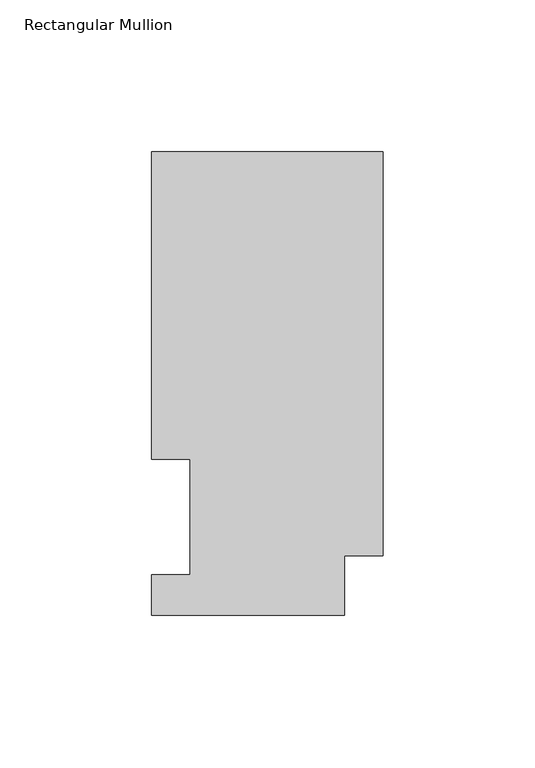
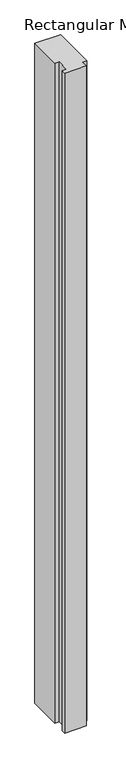
"""IFC4 building model written with IfcOpenShell, lengths in millimetres: member geometry, Rectangular Mullion."""

import ifcopenshell
import ifcopenshell.guid

model = None  # the IFC model being written
_history = None  # IfcOwnerHistory: only IFC2X3 demands one
_inside = {}  # id of a spatial element -> (the spatial element, [elements in it])
_under = {}  # id of a project, library or spatial element -> (it, [spatial elements below it])
_declared = {}  # id of a project -> (the project, [libraries it declares])
_typed = {}  # id of a type object -> (the type object, [elements of that type])
_made_of = {}  # id of a material, layer set ... -> (it, [elements and type objects made of it])


def new_model(schema):
    """Start an empty IFC model of exactly this schema.

    Asked for "IFC4X3", IfcOpenShell would pick the latest addendum, in which some entities
    have other attributes; the version numbers below select the first issue.
    IFC2X3 requires an IfcOwnerHistory on every rooted entity: one is made here for all.
    """
    global model, _history
    if schema == "IFC4X3":
        model = ifcopenshell.file(schema_version=(4, 3, 0, 0))
    else:
        model = ifcopenshell.file(schema=schema)
    _inside.clear()
    _under.clear()
    _declared.clear()
    _typed.clear()
    _made_of.clear()
    _history = None
    if model.schema == "IFC2X3":
        org = make("IfcOrganization", Name="unknown")
        user = make(
            "IfcPersonAndOrganization",
            ThePerson=make("IfcPerson", FamilyName="unknown"),
            TheOrganization=org,
        )
        app = make(
            "IfcApplication",
            ApplicationDeveloper=org,
            Version="unknown",
            ApplicationFullName="unknown",
            ApplicationIdentifier="unknown",
        )
        _history = make(
            "IfcOwnerHistory",
            OwningUser=user,
            OwningApplication=app,
            ChangeAction="ADDED",
            CreationDate=0,
        )
    return model


def make(cls, **values):
    """One entity of the class cls with the attributes given. An attribute that is None is left unset."""
    return model.create_entity(
        cls, **{name: value for name, value in values.items() if value is not None}
    )


def rooted(cls, **values):
    """An entity with a GlobalId (a new one), such as an element, a storey or a relation."""
    return make(cls, GlobalId=ifcopenshell.guid.new(), OwnerHistory=_history, **values)


def si_unit(unit_type, name, prefix=None):
    """IfcSIUnit, for example si_unit("LENGTHUNIT", "METRE", prefix="MILLI")."""
    return make("IfcSIUnit", UnitType=unit_type, Prefix=prefix, Name=name)


def assignment(units):
    """IfcUnitAssignment: the units of a project."""
    return None if units is None else make("IfcUnitAssignment", Units=units)


def point(xyz):
    """IfcCartesianPoint."""
    return None if xyz is None else make("IfcCartesianPoint", Coordinates=xyz)


def direction(xyz):
    """IfcDirection."""
    return None if xyz is None else make("IfcDirection", DirectionRatios=xyz)


def frame(location, z_axis=None, x_axis=None):
    """IfcAxis2Placement3D, a coordinate frame: its origin and axes. An axis left out is left unset."""
    return make(
        "IfcAxis2Placement3D",
        Location=point(location),
        Axis=direction(z_axis),
        RefDirection=direction(x_axis),
    )


def origin():
    """The frame at (0, 0, 0) with its axes left unset."""
    return frame((0.0, 0.0, 0.0))


def place(relative_to, where):
    """IfcLocalPlacement: puts the frame where relative to a parent placement (None: the world)."""
    return make(
        "IfcLocalPlacement", PlacementRelTo=relative_to, RelativePlacement=where
    )


def context(
    kind, dimensions, precision=None, world=None, true_north=None, identifier=None
):
    """IfcGeometricRepresentationContext, for example the 3D "Model" context."""
    return make(
        "IfcGeometricRepresentationContext",
        ContextIdentifier=identifier,
        ContextType=kind,
        CoordinateSpaceDimension=dimensions,
        Precision=precision,
        WorldCoordinateSystem=world,
        TrueNorth=true_north,
    )


def project(units=None, contexts=None):
    """IfcProject with its units and contexts."""
    return rooted(
        "IfcProject",
        Name="project",
        RepresentationContexts=contexts,
        UnitsInContext=assignment(units),
    )


def spatial(cls, under=None, at=None, **own):
    """A site, building, storey or space (cls), placed at a placement, below another one or the project."""
    s = rooted(cls, ObjectPlacement=at, **own)
    if under is not None:
        _under.setdefault(under.id(), (under, []))[1].append(s)
    return s


def polyline(points):
    """IfcPolyline through the points."""
    return make("IfcPolyline", Points=[point(p) for p in points])


def outline(outer, holes=None, kind="AREA"):
    """IfcArbitraryClosedProfileDef: a profile drawn as a closed curve; with holes, ...WithVoids."""
    if holes is None:
        return make("IfcArbitraryClosedProfileDef", ProfileType=kind, OuterCurve=outer)
    return make(
        "IfcArbitraryProfileDefWithVoids",
        ProfileType=kind,
        OuterCurve=outer,
        InnerCurves=holes,
    )


def extrude(swept, where, along, depth):
    """IfcExtrudedAreaSolid: the profile swept, set in the frame where, extruded along a direction by depth."""
    return make(
        "IfcExtrudedAreaSolid",
        SweptArea=swept,
        Position=where,
        ExtrudedDirection=direction(along),
        Depth=depth,
    )


def shape(context_of_items, identifier, shape_type, items):
    """IfcShapeRepresentation: the items that make up one representation, for example the "Body"."""
    return make(
        "IfcShapeRepresentation",
        ContextOfItems=context_of_items,
        RepresentationIdentifier=identifier,
        RepresentationType=shape_type,
        Items=items,
    )


def source(mapping_origin, context_of_items, identifier, shape_type, items):
    """IfcRepresentationMap: a shape defined once, which mapped items show again and again."""
    return make(
        "IfcRepresentationMap",
        MappingOrigin=mapping_origin,
        MappedRepresentation=shape(context_of_items, identifier, shape_type, items),
    )


def transform(
    local_origin,
    x_axis=None,
    y_axis=None,
    z_axis=None,
    scale=None,
    scale2=None,
    scale3=None,
    uniform=True,
):
    """IfcCartesianTransformationOperator3D, or its non-uniform kind. x_axis, y_axis, z_axis: its Axis1, 2, 3."""
    if uniform:
        return make(
            "IfcCartesianTransformationOperator3D",
            Axis1=direction(x_axis),
            Axis2=direction(y_axis),
            LocalOrigin=point(local_origin),
            Scale=scale,
            Axis3=direction(z_axis),
        )
    return make(
        "IfcCartesianTransformationOperator3DnonUniform",
        Axis1=direction(x_axis),
        Axis2=direction(y_axis),
        LocalOrigin=point(local_origin),
        Scale=scale,
        Axis3=direction(z_axis),
        Scale2=scale2,
        Scale3=scale3,
    )


def mapped(mapping_source, mapping_target):
    """IfcMappedItem: shows the shape of a source again, moved by a transform."""
    return make(
        "IfcMappedItem", MappingSource=mapping_source, MappingTarget=mapping_target
    )


def made_of(thing, what):
    """Note that an element or type object is made of a material, layer set ...; save() writes the relation."""
    if what is not None:
        _made_of.setdefault(what.id(), (what, []))[1].append(thing)
    return thing


def element(
    cls,
    number,
    at=None,
    inside=None,
    cuts=None,
    type_object=None,
    material=None,
    context=None,
    identifier="Body",
    shape_type=None,
    held_by="IfcProductDefinitionShape",
    body=None,
    shapes=None,
    **own,
):
    """One element of the class cls, such as IfcWall. Its Tag is "e" and its number.

    at: its placement. inside: the storey or other place that contains it. cuts: it is an
    opening in that element (IfcRelVoidsElement). A single representation is given by context,
    identifier, shape_type and body (its items); several are given by shapes. held_by: the class
    of the entity that holds the representations. save() writes the other relations.
    """
    e = rooted(cls, Tag="e%d" % number, ObjectPlacement=at, **own)
    if body is not None:
        shapes = [shape(context, identifier, shape_type, body)]
    if shapes is not None:
        e.Representation = make(held_by, Representations=shapes)
    if inside is not None:
        _inside.setdefault(inside.id(), (inside, []))[1].append(e)
    if cuts is not None:
        rooted(
            "IfcRelVoidsElement", RelatingBuildingElement=cuts, RelatedOpeningElement=e
        )
    if type_object is not None:
        _typed.setdefault(type_object.id(), (type_object, []))[1].append(e)
    return made_of(e, material)


def aggregate(whole, parts):
    """IfcRelAggregates: a whole, such as a stair, and the parts it consists of."""
    return rooted("IfcRelAggregates", RelatingObject=whole, RelatedObjects=parts)


def save(model, path):
    """Write the relations noted so far, then the file.

    IfcRelAggregates (storeys below a building ...), IfcRelContainedInSpatialStructure (elements
    in a storey), IfcRelDefinesByType, IfcRelAssociatesMaterial and IfcRelDeclares: one each for
    every whole, place, type object, material and project.
    """
    for whole, parts in _under.values():
        aggregate(whole, parts)
    for where, things in _inside.values():
        rooted(
            "IfcRelContainedInSpatialStructure",
            RelatedElements=things,
            RelatingStructure=where,
        )
    for kind, things in _typed.values():
        rooted("IfcRelDefinesByType", RelatedObjects=things, RelatingType=kind)
    for what, things in _made_of.values():
        rooted("IfcRelAssociatesMaterial", RelatedObjects=things, RelatingMaterial=what)
    for by, libraries in _declared.values():
        rooted("IfcRelDeclares", RelatingContext=by, RelatedDefinitions=libraries)
    model.write(path)


def rectangular_mullion_c03051e8(model_context):
    return source(origin(), model_context, "Body", "SweptSolid", [
        extrude(outline(polyline([(-76.2, 152.4896937), (0.0, 152.4896937), (0.0, 19.5460937), (-12.7, 19.5460937), (-12.7, 0.0134938), (-76.2, 0.0134938), (-76.2, 13.1960938), (-63.5, 13.1960938), (-63.5, 51.2960937), (-76.2, 51.2960938), (-76.2, 152.4896937)])), frame((0.0, 0.0, -2057.4), z_axis=(0.0, 0.0, 1.0), x_axis=(1.0, 0.0, 0.0)), (0.0, 0.0, 1.0), 2057.4),
    ])


if __name__ == "__main__":
    model = new_model("IFC4")
    model_context = context("Model", 3, world=origin())
    ifc_project = project(units=[si_unit("LENGTHUNIT", "METRE", prefix="MILLI")], contexts=[model_context])
    site = spatial("IfcSite", under=ifc_project)
    building = spatial("IfcBuilding", under=site)
    placement = place(None, origin())
    rectangular_mullion_shape = rectangular_mullion_c03051e8(model_context)
    element("IfcMember", 1, ObjectType="Rectangular Mullion", at=placement, inside=building, context=model_context, shape_type="MappedRepresentation", body=[
        mapped(rectangular_mullion_shape, transform((0.0, 0.0, 0.0), x_axis=(1.0, 0.0, 0.0), y_axis=(0.0, 1.0, 0.0), z_axis=(0.0, 0.0, 1.0))),
    ])
    save(model, "model.ifc")
